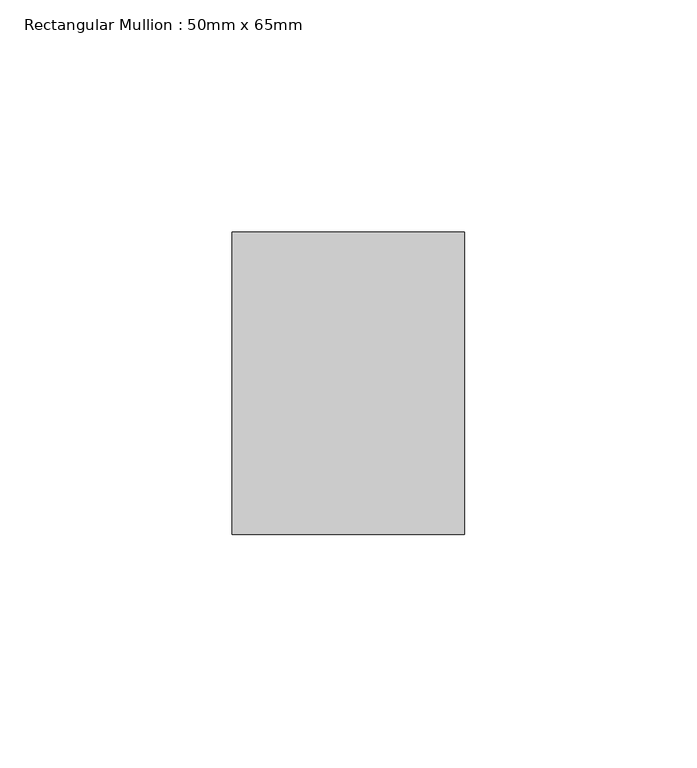
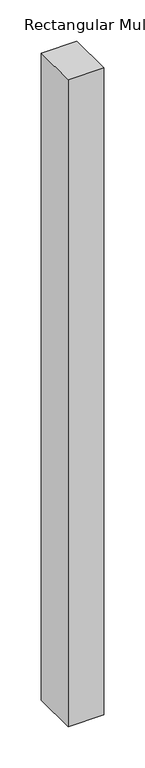
"""IFC4 building model written with IfcOpenShell, lengths in millimetres: member geometry, Rectangular Mullion : 50mm x 65mm."""

from ifc_helpers import new_model, si_unit, frame, origin, place, context, project, spatial, polyline, outline, extrude, source, transform, mapped, element, save


def rectangular_mullion_50mm_x_65mm_35b3b61f(model_context):
    return source(origin(), model_context, "Body", "SweptSolid", [
        extrude(outline(polyline([(25.0, 32.5), (25.0, -32.5), (-25.0, -32.5), (-25.0, 32.5), (25.0, 32.5)])), frame((0.0, 0.0, -957.7640155), z_axis=(0.0, 0.0, 1.0), x_axis=(1.0, 0.0, 0.0)), (0.0, 0.0, 1.0), 957.7640155),
    ])


if __name__ == "__main__":
    model = new_model("IFC4")
    model_context = context("Model", 3, world=origin())
    ifc_project = project(units=[si_unit("LENGTHUNIT", "METRE", prefix="MILLI")], contexts=[model_context])
    site = spatial("IfcSite", under=ifc_project)
    building = spatial("IfcBuilding", under=site)
    placement = place(None, origin())
    rectangular_mullion_50mm_x_65mm_shape = rectangular_mullion_50mm_x_65mm_35b3b61f(model_context)
    element("IfcMember", 1, ObjectType="Rectangular Mullion : 50mm x 65mm", at=placement, inside=building, context=model_context, shape_type="MappedRepresentation", body=[
        mapped(rectangular_mullion_50mm_x_65mm_shape, transform((0.0, 0.0, 0.0), x_axis=(1.0, 0.0, 0.0), y_axis=(0.0, 1.0, 0.0), z_axis=(0.0, 0.0, 1.0))),
    ])
    save(model, "model.ifc")
